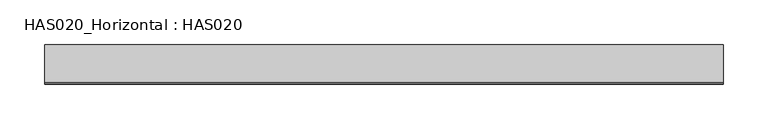
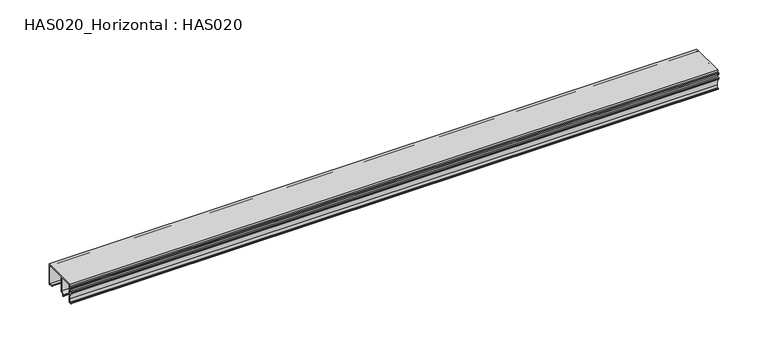
"""IFC4 building model written with IfcOpenShell, lengths in millimetres: beam geometry, HAS020_Horizontal : HAS020."""

from ifc_helpers import new_model, si_unit, point, frame, frame_2d, origin, place, context, project, spatial, polyline, circle_curve, trimmed, segment, composite_curve, outline, extrude, source, transform, mapped, element, save


def has020_horizontal_has020_eb0e3144(model_context):
    return source(origin(), model_context, "Body", "SweptSolid", [
        extrude(outline(composite_curve([segment(polyline([(20.6950115, 1.3049885), (20.6950115, 22.8919416)]), True, "CONTINUOUS"), segment(trimmed(circle_curve(frame_2d((19.8919416, 22.8919416)), 0.8030699), [point((20.6950115, 22.8919416))], [point((19.8919416, 23.6950115))], True, "CARTESIAN"), True, "CONTINUOUS"), segment(polyline([(19.8919416, 23.6950115), (-1.2890257, 23.6950115)]), True, "CONTINUOUS"), segment(trimmed(circle_curve(frame_2d((-1.2890257, 22.8919416)), 0.8030699), [point((-1.2890257, 23.6950115))], [point((-2.0920956, 22.8919416))], True, "CARTESIAN"), True, "CONTINUOUS"), segment(polyline([(-2.0920956, 22.8919416), (-2.0920956, 4.9156987), (-3.8480301, 5.2253173), (-5.6055262, 3.4678212), (-4.9969822, 2.413792)]), True, "CONTINUOUS"), segment(trimmed(circle_curve(frame_2d((-5.4316565, 2.1628327)), 0.5019187), [point((-4.9969822, 2.413792))], [point((-5.8663308, 1.9118734))], False, "CARTESIAN"), True, "CONTINUOUS"), segment(polyline([(-5.8663308, 1.9118734), (-6.551902, 3.0993175)]), True, "CONTINUOUS"), segment(trimmed(circle_curve(frame_2d((-5.8564231, 3.5008524)), 0.8030699), [point((-6.551902, 3.0993175))], [point((-6.4242792, 4.0687086))], False, "CARTESIAN"), True, "CONTINUOUS"), segment(polyline([(-6.4242792, 4.0687086), (-3.2967004, 7.1962874), (-3.2967004, 22.8919416)]), True, "CONTINUOUS"), segment(trimmed(circle_curve(frame_2d((-4.0997702, 22.8919416)), 0.8030699), [point((-3.2967004, 22.8919416))], [point((-4.0997702, 23.6950115))], True, "CARTESIAN"), True, "CONTINUOUS"), segment(polyline([(-4.0997702, 23.6950115), (-17.5868685, 23.6950115)]), True, "CONTINUOUS"), segment(trimmed(circle_curve(frame_2d((-17.5868685, 22.8919416)), 0.8030699), [point((-17.5868685, 23.6950115))], [point((-18.3899384, 22.8919416))], True, "CARTESIAN"), True, "CONTINUOUS"), segment(polyline([(-18.3899384, 22.8919416), (-18.3899384, 15.4133536)]), True, "CONTINUOUS"), segment(trimmed(circle_curve(frame_2d((-19.1930082, 15.4133536)), 0.8030699), [point((-18.3899384, 15.4133536))], [point((-19.408731, 14.6398002))], False, "CARTESIAN"), True, "CONTINUOUS"), segment(polyline([(-19.408731, 14.6398002), (-17.9906398, 6.5974057), (-18.4036027, 1.6609141), (-21.0977895, 1.6609141)]), True, "CONTINUOUS"), segment(trimmed(circle_curve(frame_2d((-21.0977895, 2.2632164)), 0.6023024), [point((-21.0977895, 1.6609141))], [point((-21.0977895, 2.8655188))], False, "CARTESIAN"), True, "CONTINUOUS"), segment(polyline([(-21.0977895, 2.8655188), (-19.509176, 2.8655188), (-19.1930082, 6.4793332), (-20.6267142, 14.6102838), (-21.5018341, 14.6102838)]), True, "CONTINUOUS"), segment(trimmed(circle_curve(frame_2d((-21.5018341, 15.1122024)), 0.5019187), [point((-21.5018341, 14.6102838))], [point((-22.0037527, 15.1122024))], False, "CARTESIAN"), True, "CONTINUOUS"), segment(polyline([(-22.0037527, 15.1122024), (-22.0037527, 16.7175747)]), True, "CONTINUOUS"), segment(trimmed(circle_curve(frame_2d((-21.5018341, 16.7175747)), 0.5019187), [point((-22.0037527, 16.7175747))], [point((-20.9999154, 16.7175747))], False, "CARTESIAN"), True, "CONTINUOUS"), segment(polyline([(-20.9999154, 16.7175747), (-20.9999154, 15.9152723), (-19.5945432, 15.9152723), (-19.5945432, 21.3359938), (-20.9999154, 21.3359938), (-20.9999154, 20.5336914)]), True, "CONTINUOUS"), segment(trimmed(circle_curve(frame_2d((-21.5018341, 20.5336914)), 0.5019187), [point((-20.9999154, 20.5336914))], [point((-22.0037527, 20.5336914))], False, "CARTESIAN"), True, "CONTINUOUS"), segment(polyline([(-22.0037527, 20.5336914), (-22.0037527, 22.1390636)]), True, "CONTINUOUS"), segment(trimmed(circle_curve(frame_2d((-21.5018341, 22.1390636)), 0.5019187), [point((-22.0037527, 22.1390636))], [point((-21.5018341, 22.6409823))], False, "CARTESIAN"), True, "CONTINUOUS"), segment(polyline([(-21.5018341, 22.6409823), (-19.7953106, 22.6409823), (-19.7953106, 25.0), (22.0, 25.0), (22.0, 0.0), (17.6333077, 0.0)]), True, "CONTINUOUS"), segment(trimmed(circle_curve(frame_2d((17.6333077, 0.6524943)), 0.6524943), [point((17.6333077, 0.0))], [point((17.6333077, 1.3049885))], False, "CARTESIAN"), True, "CONTINUOUS"), segment(polyline([(17.6333077, 1.3049885), (20.6950115, 1.3049885)]), True, "CONTINUOUS")], self_intersect=False)), frame((-378.7579618, 0.0, 0.0), z_axis=(1.0, 0.0, 0.0), x_axis=(0.0, 1.0, 0.0)), (0.0, 0.0, 1.0), 757.5159237),
    ])


if __name__ == "__main__":
    model = new_model("IFC4")
    model_context = context("Model", 3, world=origin())
    ifc_project = project(units=[si_unit("LENGTHUNIT", "METRE", prefix="MILLI")], contexts=[model_context])
    site = spatial("IfcSite", under=ifc_project)
    building = spatial("IfcBuilding", under=site)
    placement = place(None, origin())
    has020_horizontal_has020_shape = has020_horizontal_has020_eb0e3144(model_context)
    element("IfcBeam", 1, ObjectType="HAS020_Horizontal : HAS020", at=placement, inside=building, context=model_context, shape_type="MappedRepresentation", body=[
        mapped(has020_horizontal_has020_shape, transform((0.0, 0.0, 0.0), x_axis=(1.0, 0.0, 0.0), y_axis=(0.0, 1.0, 0.0), z_axis=(0.0, 0.0, 1.0))),
    ])
    save(model, "model.ifc")
